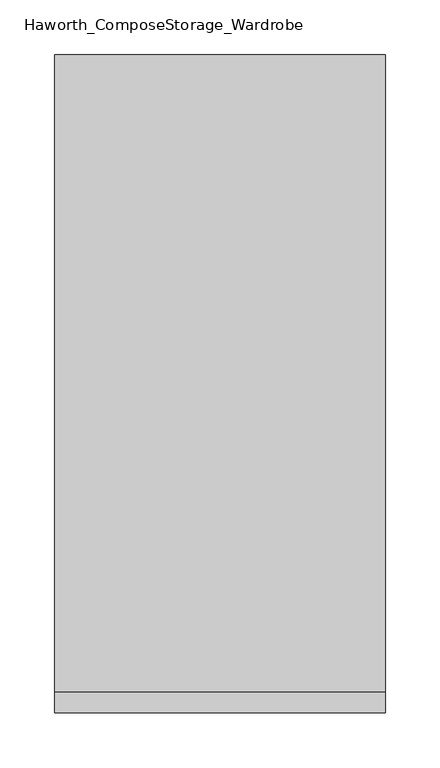
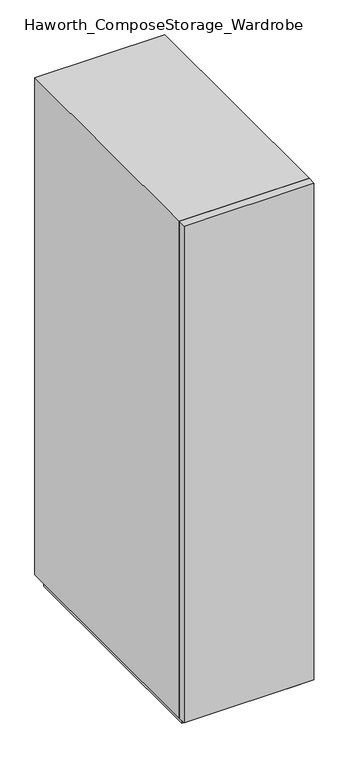
"""IFC4 building model written with IfcOpenShell, lengths in millimetres: furniture geometry, Haworth_ComposeStorage_Wardrobe."""

from ifc_helpers import new_model, si_unit, frame, origin, origin_with_axes, place, context, project, spatial, polyline, outline, extrude, faceted_brep, source, transform, mapped, element, save


def haworth_composestorage_wardrobe_bdab5b8e(model_context):
    return source(origin(), model_context, "Body", "SolidModel", [
        extrude(outline(polyline([(150.8263906, -309.5625), (-150.7986094, -309.5625), (-150.7986094, -290.5125), (150.8263906, -290.5125), (150.8263906, -309.5625)])), frame((0.0, 0.0, 25.4), z_axis=(0.0, 0.0, 1.0), x_axis=(1.0, 0.0, 0.0)), (0.0, 0.0, 1.0), 1219.2),
        faceted_brep([(-150.7986094, -290.5125, 25.4), (150.8263906, -290.5125, 25.4), (150.8263906, -290.5125, 1244.6), (-150.7986094, -290.5125, 1244.6), (-131.7486094, -290.5125, 44.45), (-131.7486094, -290.5125, 1225.55), (131.7486094, -290.5125, 1225.55), (131.7486094, -290.5125, 44.45), (-150.7986094, 290.5125, 25.4), (-150.7986094, 290.5125, 1244.6), (150.8263906, 290.5125, 1244.6), (150.8263906, 290.5125, 25.4), (-131.7486094, 271.4625, 44.45), (-131.7486094, 271.4625, 1225.55), (131.7486094, 271.4625, 1225.55), (131.7486094, 271.4625, 44.45)], [[[0, 1, 2, 3], [4, 5, 6, 7]], [[8, 9, 10, 11]], [[1, 0, 8, 11]], [[2, 1, 11, 10]], [[3, 2, 10, 9]], [[0, 3, 9, 8]], [[5, 4, 12, 13]], [[6, 5, 13, 14]], [[7, 6, 14, 15]], [[4, 7, 15, 12]], [[13, 12, 15, 14]]]),
        extrude(outline(polyline([(138.1263906, -277.8125), (-138.0986094, -277.8125), (-138.0986094, 277.8125), (138.1263906, 277.8125), (138.1263906, -277.8125)])), origin_with_axes(), (0.0, 0.0, 1.0), 25.4),
    ])


if __name__ == "__main__":
    model = new_model("IFC4")
    model_context = context("Model", 3, world=origin())
    ifc_project = project(units=[si_unit("LENGTHUNIT", "METRE", prefix="MILLI")], contexts=[model_context])
    site = spatial("IfcSite", under=ifc_project)
    building = spatial("IfcBuilding", under=site)
    placement = place(None, origin())
    haworth_composestorage_wardrobe_shape = haworth_composestorage_wardrobe_bdab5b8e(model_context)
    element("IfcFurniture", 1, ObjectType="Haworth_ComposeStorage_Wardrobe", at=placement, inside=building, context=model_context, shape_type="MappedRepresentation", body=[
        mapped(haworth_composestorage_wardrobe_shape, transform((0.0, 0.0, 0.0), x_axis=(1.0, 0.0, 0.0), y_axis=(0.0, 1.0, 0.0), z_axis=(0.0, 0.0, 1.0))),
    ])
    save(model, "model.ifc")
